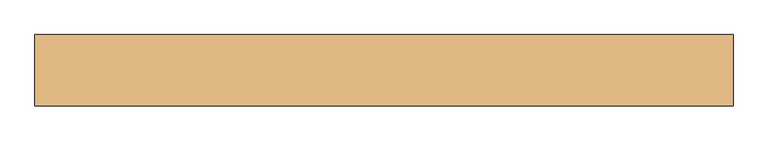
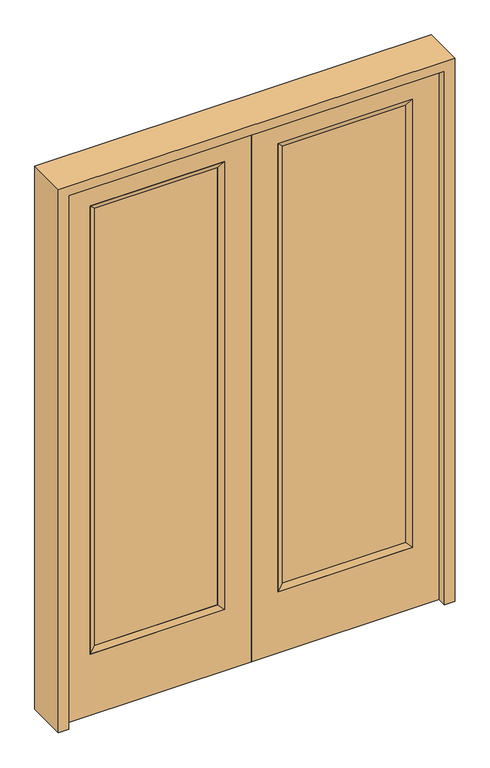
"""IFC4 building model written with IfcOpenShell, lengths in millimetres: door geometry."""

import ifcopenshell
import ifcopenshell.guid

model = None  # the IFC model being written
_history = None  # IfcOwnerHistory: only IFC2X3 demands one
_inside = {}  # id of a spatial element -> (the spatial element, [elements in it])
_under = {}  # id of a project, library or spatial element -> (it, [spatial elements below it])
_declared = {}  # id of a project -> (the project, [libraries it declares])
_typed = {}  # id of a type object -> (the type object, [elements of that type])
_made_of = {}  # id of a material, layer set ... -> (it, [elements and type objects made of it])


def new_model(schema):
    """Start an empty IFC model of exactly this schema.

    Asked for "IFC4X3", IfcOpenShell would pick the latest addendum, in which some entities
    have other attributes; the version numbers below select the first issue.
    IFC2X3 requires an IfcOwnerHistory on every rooted entity: one is made here for all.
    """
    global model, _history
    if schema == "IFC4X3":
        model = ifcopenshell.file(schema_version=(4, 3, 0, 0))
    else:
        model = ifcopenshell.file(schema=schema)
    _inside.clear()
    _under.clear()
    _declared.clear()
    _typed.clear()
    _made_of.clear()
    _history = None
    if model.schema == "IFC2X3":
        org = make("IfcOrganization", Name="unknown")
        user = make(
            "IfcPersonAndOrganization",
            ThePerson=make("IfcPerson", FamilyName="unknown"),
            TheOrganization=org,
        )
        app = make(
            "IfcApplication",
            ApplicationDeveloper=org,
            Version="unknown",
            ApplicationFullName="unknown",
            ApplicationIdentifier="unknown",
        )
        _history = make(
            "IfcOwnerHistory",
            OwningUser=user,
            OwningApplication=app,
            ChangeAction="ADDED",
            CreationDate=0,
        )
    return model


def make(cls, **values):
    """One entity of the class cls with the attributes given. An attribute that is None is left unset."""
    return model.create_entity(
        cls, **{name: value for name, value in values.items() if value is not None}
    )


def rooted(cls, **values):
    """An entity with a GlobalId (a new one), such as an element, a storey or a relation."""
    return make(cls, GlobalId=ifcopenshell.guid.new(), OwnerHistory=_history, **values)


def si_unit(unit_type, name, prefix=None):
    """IfcSIUnit, for example si_unit("LENGTHUNIT", "METRE", prefix="MILLI")."""
    return make("IfcSIUnit", UnitType=unit_type, Prefix=prefix, Name=name)


def assignment(units):
    """IfcUnitAssignment: the units of a project."""
    return None if units is None else make("IfcUnitAssignment", Units=units)


def point(xyz):
    """IfcCartesianPoint."""
    return None if xyz is None else make("IfcCartesianPoint", Coordinates=xyz)


def direction(xyz):
    """IfcDirection."""
    return None if xyz is None else make("IfcDirection", DirectionRatios=xyz)


def frame(location, z_axis=None, x_axis=None):
    """IfcAxis2Placement3D, a coordinate frame: its origin and axes. An axis left out is left unset."""
    return make(
        "IfcAxis2Placement3D",
        Location=point(location),
        Axis=direction(z_axis),
        RefDirection=direction(x_axis),
    )


def origin():
    """The frame at (0, 0, 0) with its axes left unset."""
    return frame((0.0, 0.0, 0.0))


def place(relative_to, where):
    """IfcLocalPlacement: puts the frame where relative to a parent placement (None: the world)."""
    return make(
        "IfcLocalPlacement", PlacementRelTo=relative_to, RelativePlacement=where
    )


def context(
    kind, dimensions, precision=None, world=None, true_north=None, identifier=None
):
    """IfcGeometricRepresentationContext, for example the 3D "Model" context."""
    return make(
        "IfcGeometricRepresentationContext",
        ContextIdentifier=identifier,
        ContextType=kind,
        CoordinateSpaceDimension=dimensions,
        Precision=precision,
        WorldCoordinateSystem=world,
        TrueNorth=true_north,
    )


def project(units=None, contexts=None):
    """IfcProject with its units and contexts."""
    return rooted(
        "IfcProject",
        Name="project",
        RepresentationContexts=contexts,
        UnitsInContext=assignment(units),
    )


def spatial(cls, under=None, at=None, **own):
    """A site, building, storey or space (cls), placed at a placement, below another one or the project."""
    s = rooted(cls, ObjectPlacement=at, **own)
    if under is not None:
        _under.setdefault(under.id(), (under, []))[1].append(s)
    return s


def polyline(points):
    """IfcPolyline through the points."""
    return make("IfcPolyline", Points=[point(p) for p in points])


def outline(outer, holes=None, kind="AREA"):
    """IfcArbitraryClosedProfileDef: a profile drawn as a closed curve; with holes, ...WithVoids."""
    if holes is None:
        return make("IfcArbitraryClosedProfileDef", ProfileType=kind, OuterCurve=outer)
    return make(
        "IfcArbitraryProfileDefWithVoids",
        ProfileType=kind,
        OuterCurve=outer,
        InnerCurves=holes,
    )


def extrude(swept, where, along, depth):
    """IfcExtrudedAreaSolid: the profile swept, set in the frame where, extruded along a direction by depth."""
    return make(
        "IfcExtrudedAreaSolid",
        SweptArea=swept,
        Position=where,
        ExtrudedDirection=direction(along),
        Depth=depth,
    )


def faces_of(points, faces, orient=None, outer=None):
    """IfcFace entities. A face is a list of loops; a loop is a list of indices into points, from 0.

    orient and outer hold one flag for each loop. By default every Orientation is true, the
    first loop of a face is its IfcFaceOuterBound and the others are IfcFaceBound.
    """
    made = []
    for i, loops in enumerate(faces):
        bounds = []
        for j, loop in enumerate(loops):
            is_outer = j == 0 if outer is None else outer[i][j]
            bounds.append(
                make(
                    "IfcFaceOuterBound" if is_outer else "IfcFaceBound",
                    Bound=make("IfcPolyLoop", Polygon=[points[k] for k in loop]),
                    Orientation=True if orient is None else orient[i][j],
                )
            )
        made.append(make("IfcFace", Bounds=bounds))
    return made


def faceted_brep(points, faces, orient=None, outer=None, voids=None):
    """IfcFacetedBrep: a solid bounded by flat faces; with voids (closed shells), ...WithVoids."""
    shared = [point(p) for p in points]
    hull = make("IfcClosedShell", CfsFaces=faces_of(shared, faces, orient, outer))
    if voids is None:
        return make("IfcFacetedBrep", Outer=hull)
    return make(
        "IfcFacetedBrepWithVoids",
        Outer=hull,
        Voids=[
            make(cls, CfsFaces=faces_of(shared, fs, o, b)) for cls, fs, o, b in voids
        ],
    )


def shape(context_of_items, identifier, shape_type, items):
    """IfcShapeRepresentation: the items that make up one representation, for example the "Body"."""
    return make(
        "IfcShapeRepresentation",
        ContextOfItems=context_of_items,
        RepresentationIdentifier=identifier,
        RepresentationType=shape_type,
        Items=items,
    )


def source(mapping_origin, context_of_items, identifier, shape_type, items):
    """IfcRepresentationMap: a shape defined once, which mapped items show again and again."""
    return make(
        "IfcRepresentationMap",
        MappingOrigin=mapping_origin,
        MappedRepresentation=shape(context_of_items, identifier, shape_type, items),
    )


def transform(
    local_origin,
    x_axis=None,
    y_axis=None,
    z_axis=None,
    scale=None,
    scale2=None,
    scale3=None,
    uniform=True,
):
    """IfcCartesianTransformationOperator3D, or its non-uniform kind. x_axis, y_axis, z_axis: its Axis1, 2, 3."""
    if uniform:
        return make(
            "IfcCartesianTransformationOperator3D",
            Axis1=direction(x_axis),
            Axis2=direction(y_axis),
            LocalOrigin=point(local_origin),
            Scale=scale,
            Axis3=direction(z_axis),
        )
    return make(
        "IfcCartesianTransformationOperator3DnonUniform",
        Axis1=direction(x_axis),
        Axis2=direction(y_axis),
        LocalOrigin=point(local_origin),
        Scale=scale,
        Axis3=direction(z_axis),
        Scale2=scale2,
        Scale3=scale3,
    )


def mapped(mapping_source, mapping_target):
    """IfcMappedItem: shows the shape of a source again, moved by a transform."""
    return make(
        "IfcMappedItem", MappingSource=mapping_source, MappingTarget=mapping_target
    )


def made_of(thing, what):
    """Note that an element or type object is made of a material, layer set ...; save() writes the relation."""
    if what is not None:
        _made_of.setdefault(what.id(), (what, []))[1].append(thing)
    return thing


def element(
    cls,
    number,
    at=None,
    inside=None,
    cuts=None,
    type_object=None,
    material=None,
    context=None,
    identifier="Body",
    shape_type=None,
    held_by="IfcProductDefinitionShape",
    body=None,
    shapes=None,
    **own,
):
    """One element of the class cls, such as IfcWall. Its Tag is "e" and its number.

    at: its placement. inside: the storey or other place that contains it. cuts: it is an
    opening in that element (IfcRelVoidsElement). A single representation is given by context,
    identifier, shape_type and body (its items); several are given by shapes. held_by: the class
    of the entity that holds the representations. save() writes the other relations.
    """
    e = rooted(cls, Tag="e%d" % number, ObjectPlacement=at, **own)
    if body is not None:
        shapes = [shape(context, identifier, shape_type, body)]
    if shapes is not None:
        e.Representation = make(held_by, Representations=shapes)
    if inside is not None:
        _inside.setdefault(inside.id(), (inside, []))[1].append(e)
    if cuts is not None:
        rooted(
            "IfcRelVoidsElement", RelatingBuildingElement=cuts, RelatedOpeningElement=e
        )
    if type_object is not None:
        _typed.setdefault(type_object.id(), (type_object, []))[1].append(e)
    return made_of(e, material)


def aggregate(whole, parts):
    """IfcRelAggregates: a whole, such as a stair, and the parts it consists of."""
    return rooted("IfcRelAggregates", RelatingObject=whole, RelatedObjects=parts)


def save(model, path):
    """Write the relations noted so far, then the file.

    IfcRelAggregates (storeys below a building ...), IfcRelContainedInSpatialStructure (elements
    in a storey), IfcRelDefinesByType, IfcRelAssociatesMaterial and IfcRelDeclares: one each for
    every whole, place, type object, material and project.
    """
    for whole, parts in _under.values():
        aggregate(whole, parts)
    for where, things in _inside.values():
        rooted(
            "IfcRelContainedInSpatialStructure",
            RelatedElements=things,
            RelatingStructure=where,
        )
    for kind, things in _typed.values():
        rooted("IfcRelDefinesByType", RelatedObjects=things, RelatingType=kind)
    for what, things in _made_of.values():
        rooted("IfcRelAssociatesMaterial", RelatedObjects=things, RelatingMaterial=what)
    for by, libraries in _declared.values():
        rooted("IfcRelDeclares", RelatingContext=by, RelatedDefinitions=libraries)
    model.write(path)


def door_a1ab1d42(model_context):
    return source(origin(), model_context, "Body", "SolidModel", [
        extrude(outline(polyline([(140.8176, -12.7039749), (140.8176, 14.2875), (671.9824, 14.2875), (671.9824, -12.7039749), (140.8176, -12.7039749)])), frame((0.0, 0.0, 304.8), z_axis=(0.0, 0.0, 1.0), x_axis=(1.0, 0.0, 0.0)), (0.0, 0.0, 1.0), 1997.5576),
        faceted_brep([(140.8176, 14.2875, 2302.3576), (140.8176, 14.2875, 304.8), (115.4176, 22.225, 279.4), (115.4176, 22.225, 2327.7576), (115.4176, -22.225, 279.4), (115.4176, -22.225, 2327.7576), (671.9824, 14.2875, 304.8), (697.3824, 22.225, 279.4), (140.8176, -12.7039749, 2302.3576), (140.8176, -12.7039749, 304.8), (671.9824, -12.7039749, 304.8), (697.3824, -22.225, 279.4), (671.9824, 14.2875, 2302.3576), (697.3824, 22.225, 2327.7576), (671.9824, -12.7039749, 2302.3576), (697.3824, -22.225, 2327.7576)], [[[0, 1, 2, 3]], [[3, 2, 4, 5]], [[1, 6, 7, 2]], [[8, 9, 1, 0]], [[9, 10, 6, 1]], [[5, 4, 9, 8]], [[4, 11, 10, 9]], [[2, 7, 11, 4]], [[6, 12, 13, 7]], [[10, 14, 12, 6]], [[11, 15, 14, 10]], [[7, 13, 15, 11]], [[12, 0, 3, 13]], [[14, 8, 0, 12]], [[15, 5, 8, 14]], [[13, 3, 5, 15]]]),
        extrude(outline(polyline([(0.0, 812.8), (2438.4, 812.8), (2438.4, 0.0), (0.0, 0.0), (0.0, 812.8)]), holes=[polyline([(279.4, 697.3824), (279.4, 115.4176), (2327.7576, 115.4176), (2327.7576, 697.3824), (279.4, 697.3824)])]), frame((0.0, -22.225, 0.0), z_axis=(0.0, 1.0, 0.0), x_axis=(0.0, 0.0, 1.0)), (0.0, 0.0, 1.0), 44.45),
        extrude(outline(polyline([(-140.8176, -12.7039749), (-671.9824, -12.7039749), (-671.9824, 14.2875), (-140.8176, 14.2875), (-140.8176, -12.7039749)])), frame((0.0, 0.0, 304.8), z_axis=(0.0, 0.0, 1.0), x_axis=(1.0, 0.0, 0.0)), (0.0, 0.0, 1.0), 1997.5576),
        faceted_brep([(-140.8176, 14.2875, 2302.3576), (-115.4176, 22.225, 2327.7576), (-115.4176, 22.225, 279.4), (-140.8176, 14.2875, 304.8), (-115.4176, -22.225, 2327.7576), (-115.4176, -22.225, 279.4), (-697.3824, 22.225, 279.4), (-671.9824, 14.2875, 304.8), (-140.8176, -12.7039749, 2302.3576), (-140.8176, -12.7039749, 304.8), (-671.9824, -12.7039749, 304.8), (-697.3824, -22.225, 279.4), (-697.3824, 22.225, 2327.7576), (-671.9824, 14.2875, 2302.3576), (-671.9824, -12.7039749, 2302.3576), (-697.3824, -22.225, 2327.7576)], [[[0, 1, 2, 3]], [[1, 4, 5, 2]], [[3, 2, 6, 7]], [[8, 0, 3, 9]], [[9, 3, 7, 10]], [[4, 8, 9, 5]], [[5, 9, 10, 11]], [[2, 5, 11, 6]], [[7, 6, 12, 13]], [[10, 7, 13, 14]], [[11, 10, 14, 15]], [[6, 11, 15, 12]], [[13, 12, 1, 0]], [[14, 13, 0, 8]], [[15, 14, 8, 4]], [[12, 15, 4, 1]]]),
        extrude(outline(polyline([(0.0, -812.8), (0.0, 0.0), (2438.4, 0.0), (2438.4, -812.8), (0.0, -812.8)]), holes=[polyline([(279.4, -697.3824), (2327.7576, -697.3824), (2327.7576, -115.4176), (279.4, -115.4176), (279.4, -697.3824)])]), frame((0.0, -22.225, 0.0), z_axis=(0.0, 1.0, 0.0), x_axis=(0.0, 0.0, 1.0)), (0.0, 0.0, 1.0), 44.45),
        extrude(outline(polyline([(0.0, -857.25), (0.0, -812.8), (2438.4, -812.8), (2438.4, 812.8), (0.0, 812.8), (0.0, 857.25), (2482.85, 857.25), (2482.85, -857.25), (0.0, -857.25)])), frame((0.0, -61.1, 0.0), z_axis=(0.0, 1.0, 0.0), x_axis=(0.0, 0.0, 1.0)), (0.0, 0.0, 1.0), 175.4),
    ])


if __name__ == "__main__":
    model = new_model("IFC4")
    model_context = context("Model", 3, world=origin())
    ifc_project = project(units=[si_unit("LENGTHUNIT", "METRE", prefix="MILLI")], contexts=[model_context])
    site = spatial("IfcSite", under=ifc_project)
    building = spatial("IfcBuilding", under=site)
    placement = place(None, origin())
    door_shape = door_a1ab1d42(model_context)
    element("IfcDoor", 1, at=placement, inside=building, context=model_context, shape_type="MappedRepresentation", body=[
        mapped(door_shape, transform((0.0, 0.0, 0.0), x_axis=(1.0, 0.0, 0.0), y_axis=(0.0, 1.0, 0.0), z_axis=(0.0, 0.0, 1.0))),
    ])
    save(model, "model.ifc")
